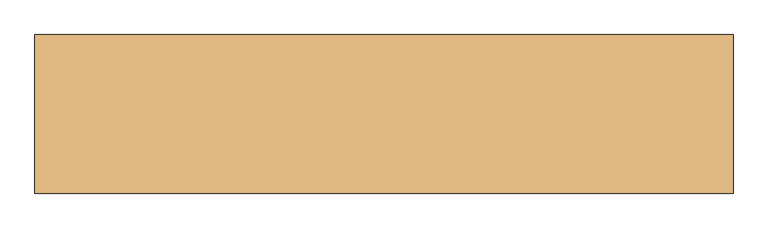
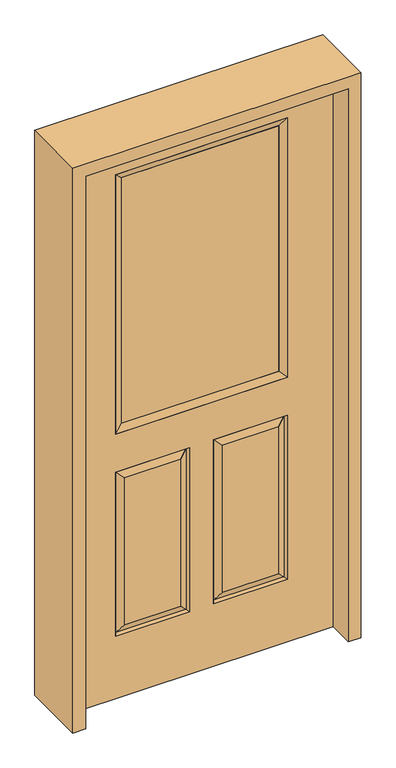
"""IFC4 building model written with IfcOpenShell, lengths in millimetres: door geometry."""

from ifc_helpers import new_model, si_unit, frame, origin, place, context, project, spatial, polyline, outline, extrude, faceted_brep, source, transform, mapped, element, save


def door_d8cb8516(model_context):
    return source(origin(), model_context, "Body", "SolidModel", [
        faceted_brep([(-457.2, -22.225, 0.0), (457.2, -22.225, 0.0), (457.2, -22.225, 2032.0), (-457.2, -22.225, 2032.0), (-299.339, -22.225, 971.55), (-299.339, -22.225, 1925.574), (299.339, -22.225, 1925.574), (299.339, -22.225, 971.55), (-299.339, -22.225, 831.85), (-41.275, -22.225, 831.85), (-41.275, -22.225, 228.6), (-299.339, -22.225, 228.6), (41.275, -22.225, 831.85), (299.339, -22.225, 831.85), (299.339, -22.225, 228.6), (41.275, -22.225, 228.6), (-73.025, -22.225, 800.1), (-267.589, -22.225, 800.1), (-267.589, -22.225, 260.35), (-73.025, -22.225, 260.35), (267.589, -22.225, 800.1), (73.025, -22.225, 800.1), (73.025, -22.225, 260.35), (267.589, -22.225, 260.35), (-457.2, 22.225, 0.0), (457.2, 22.225, 0.0), (457.2, 22.225, 2032.0), (-457.2, 22.225, 2032.0), (-299.339, 22.225, 971.55), (-299.339, 22.225, 1925.574), (299.339, 22.225, 1925.574), (299.339, 22.225, 971.55), (-41.275, 22.225, 831.85), (-299.339, 22.225, 831.85), (-299.339, 22.225, 228.6), (-41.275, 22.225, 228.6), (299.339, 22.225, 831.85), (41.275, 22.225, 831.85), (41.275, 22.225, 228.6), (299.339, 22.225, 228.6), (-267.589, 22.225, 800.1), (-73.025, 22.225, 800.1), (-73.025, 22.225, 260.35), (-267.589, 22.225, 260.35), (73.025, 22.225, 800.1), (267.589, 22.225, 800.1), (267.589, 22.225, 260.35), (73.025, 22.225, 260.35), (-48.41875, -12.7449236, 824.70625), (-292.19525, -12.7449236, 824.70625), (-292.19525, -12.7449236, 235.74375), (-48.41875, -12.7449236, 235.74375), (292.19525, -12.7449236, 824.70625), (48.41875, -12.7449236, 824.70625), (48.41875, -12.7449236, 235.74375), (292.19525, -12.7449236, 235.74375), (-292.19525, 12.7449236, 824.70625), (-48.41875, 12.7449236, 824.70625), (-48.41875, 12.7449236, 235.74375), (-292.19525, 12.7449236, 235.74375), (48.41875, 12.7449236, 824.70625), (292.19525, 12.7449236, 824.70625), (292.19525, 12.7449236, 235.74375), (48.41875, 12.7449236, 235.74375)], [[[0, 1, 2, 3], [4, 5, 6, 7], [8, 9, 10, 11], [12, 13, 14, 15]], [[16, 17, 18, 19]], [[20, 21, 22, 23]], [[1, 0, 24, 25]], [[2, 1, 25, 26]], [[0, 3, 27, 24]], [[5, 4, 28, 29]], [[7, 6, 30, 31]], [[4, 7, 31, 28]], [[24, 27, 26, 25], [28, 31, 30, 29], [32, 33, 34, 35], [36, 37, 38, 39]], [[40, 41, 42, 43]], [[44, 45, 46, 47]], [[3, 2, 26, 27]], [[6, 5, 29, 30]], [[16, 48, 49, 17]], [[17, 49, 50, 18]], [[51, 19, 18, 50]], [[48, 16, 19, 51]], [[49, 48, 9, 8]], [[9, 48, 51, 10]], [[10, 51, 50, 11]], [[49, 8, 11, 50]], [[52, 53, 21, 20]], [[21, 53, 54, 22]], [[22, 54, 55, 23]], [[52, 20, 23, 55]], [[53, 52, 13, 12]], [[13, 52, 55, 14]], [[54, 15, 14, 55]], [[53, 12, 15, 54]], [[56, 57, 41, 40]], [[41, 57, 58, 42]], [[42, 58, 59, 43]], [[56, 40, 43, 59]], [[57, 56, 33, 32]], [[33, 56, 59, 34]], [[58, 35, 34, 59]], [[57, 32, 35, 58]], [[44, 60, 61, 45]], [[45, 61, 62, 46]], [[63, 47, 46, 62]], [[60, 44, 47, 63]], [[61, 60, 37, 36]], [[37, 60, 63, 38]], [[38, 63, 62, 39]], [[61, 36, 39, 62]]]),
        extrude(outline(polyline([(273.939, -12.7), (-273.939, -12.7), (-273.939, 12.7), (273.939, 12.7), (273.939, -12.7)])), frame((0.0, 0.0, 996.95), z_axis=(0.0, 0.0, 1.0), x_axis=(1.0, 0.0, 0.0)), (0.0, 0.0, 1.0), 903.224),
        faceted_brep([(-299.339, -22.225, 1925.574), (-299.339, 22.225, 1925.574), (-299.339, 22.225, 971.55), (-299.339, -22.225, 971.55), (299.339, 22.225, 971.55), (299.339, -22.225, 971.55), (-273.939, 12.7, 996.95), (273.939, 12.7, 996.95), (299.339, 22.225, 1925.574), (299.339, -22.225, 1925.574), (-273.939, -12.7, 996.95), (273.939, -12.7, 996.95), (-273.939, -12.7, 1900.174), (273.939, -12.7, 1900.174), (-273.939, 12.7, 1900.174), (273.939, 12.7, 1900.174)], [[[0, 1, 2, 3]], [[3, 2, 4, 5]], [[2, 6, 7, 4]], [[5, 4, 8, 9]], [[10, 3, 5, 11]], [[12, 0, 3, 10]], [[11, 5, 9, 13]], [[6, 10, 11, 7]], [[14, 12, 10, 6]], [[7, 11, 13, 15]], [[1, 14, 6, 2]], [[4, 7, 15, 8]], [[9, 8, 1, 0]], [[13, 9, 0, 12]], [[15, 13, 12, 14]], [[8, 15, 14, 1]]]),
        extrude(outline(polyline([(0.0, -501.65), (0.0, -457.2), (2032.0, -457.2), (2032.0, 457.2), (0.0, 457.2), (0.0, 501.65), (2076.45, 501.65), (2076.45, -501.65), (0.0, -501.65)])), frame((0.0, -114.3, 0.0), z_axis=(0.0, 1.0, 0.0), x_axis=(0.0, 0.0, 1.0)), (0.0, 0.0, 1.0), 228.6),
    ])


if __name__ == "__main__":
    model = new_model("IFC4")
    model_context = context("Model", 3, world=origin())
    ifc_project = project(units=[si_unit("LENGTHUNIT", "METRE", prefix="MILLI")], contexts=[model_context])
    site = spatial("IfcSite", under=ifc_project)
    building = spatial("IfcBuilding", under=site)
    placement = place(None, origin())
    door_shape = door_d8cb8516(model_context)
    element("IfcDoor", 1, at=placement, inside=building, context=model_context, shape_type="MappedRepresentation", body=[
        mapped(door_shape, transform((0.0, 0.0, 0.0), x_axis=(1.0, 0.0, 0.0), y_axis=(0.0, 1.0, 0.0), z_axis=(0.0, 0.0, 1.0))),
    ])
    save(model, "model.ifc")
